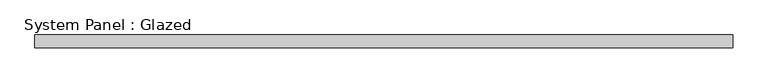
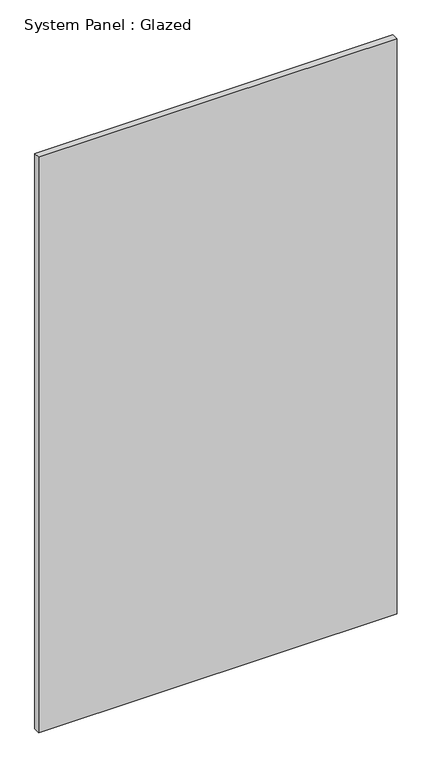
"""IFC4 building model written with IfcOpenShell, lengths in millimetres: plate geometry, System Panel : Glazed."""

import ifcopenshell
import ifcopenshell.guid

model = None  # the IFC model being written
_history = None  # IfcOwnerHistory: only IFC2X3 demands one
_inside = {}  # id of a spatial element -> (the spatial element, [elements in it])
_under = {}  # id of a project, library or spatial element -> (it, [spatial elements below it])
_declared = {}  # id of a project -> (the project, [libraries it declares])
_typed = {}  # id of a type object -> (the type object, [elements of that type])
_made_of = {}  # id of a material, layer set ... -> (it, [elements and type objects made of it])


def new_model(schema):
    """Start an empty IFC model of exactly this schema.

    Asked for "IFC4X3", IfcOpenShell would pick the latest addendum, in which some entities
    have other attributes; the version numbers below select the first issue.
    IFC2X3 requires an IfcOwnerHistory on every rooted entity: one is made here for all.
    """
    global model, _history
    if schema == "IFC4X3":
        model = ifcopenshell.file(schema_version=(4, 3, 0, 0))
    else:
        model = ifcopenshell.file(schema=schema)
    _inside.clear()
    _under.clear()
    _declared.clear()
    _typed.clear()
    _made_of.clear()
    _history = None
    if model.schema == "IFC2X3":
        org = make("IfcOrganization", Name="unknown")
        user = make(
            "IfcPersonAndOrganization",
            ThePerson=make("IfcPerson", FamilyName="unknown"),
            TheOrganization=org,
        )
        app = make(
            "IfcApplication",
            ApplicationDeveloper=org,
            Version="unknown",
            ApplicationFullName="unknown",
            ApplicationIdentifier="unknown",
        )
        _history = make(
            "IfcOwnerHistory",
            OwningUser=user,
            OwningApplication=app,
            ChangeAction="ADDED",
            CreationDate=0,
        )
    return model


def make(cls, **values):
    """One entity of the class cls with the attributes given. An attribute that is None is left unset."""
    return model.create_entity(
        cls, **{name: value for name, value in values.items() if value is not None}
    )


def rooted(cls, **values):
    """An entity with a GlobalId (a new one), such as an element, a storey or a relation."""
    return make(cls, GlobalId=ifcopenshell.guid.new(), OwnerHistory=_history, **values)


def si_unit(unit_type, name, prefix=None):
    """IfcSIUnit, for example si_unit("LENGTHUNIT", "METRE", prefix="MILLI")."""
    return make("IfcSIUnit", UnitType=unit_type, Prefix=prefix, Name=name)


def assignment(units):
    """IfcUnitAssignment: the units of a project."""
    return None if units is None else make("IfcUnitAssignment", Units=units)


def point(xyz):
    """IfcCartesianPoint."""
    return None if xyz is None else make("IfcCartesianPoint", Coordinates=xyz)


def direction(xyz):
    """IfcDirection."""
    return None if xyz is None else make("IfcDirection", DirectionRatios=xyz)


def frame(location, z_axis=None, x_axis=None):
    """IfcAxis2Placement3D, a coordinate frame: its origin and axes. An axis left out is left unset."""
    return make(
        "IfcAxis2Placement3D",
        Location=point(location),
        Axis=direction(z_axis),
        RefDirection=direction(x_axis),
    )


def origin():
    """The frame at (0, 0, 0) with its axes left unset."""
    return frame((0.0, 0.0, 0.0))


def origin_with_axes():
    """The frame at (0, 0, 0) with the z axis (0, 0, 1) and the x axis (1, 0, 0) written out."""
    return frame((0.0, 0.0, 0.0), z_axis=(0.0, 0.0, 1.0), x_axis=(1.0, 0.0, 0.0))


def place(relative_to, where):
    """IfcLocalPlacement: puts the frame where relative to a parent placement (None: the world)."""
    return make(
        "IfcLocalPlacement", PlacementRelTo=relative_to, RelativePlacement=where
    )


def context(
    kind, dimensions, precision=None, world=None, true_north=None, identifier=None
):
    """IfcGeometricRepresentationContext, for example the 3D "Model" context."""
    return make(
        "IfcGeometricRepresentationContext",
        ContextIdentifier=identifier,
        ContextType=kind,
        CoordinateSpaceDimension=dimensions,
        Precision=precision,
        WorldCoordinateSystem=world,
        TrueNorth=true_north,
    )


def project(units=None, contexts=None):
    """IfcProject with its units and contexts."""
    return rooted(
        "IfcProject",
        Name="project",
        RepresentationContexts=contexts,
        UnitsInContext=assignment(units),
    )


def spatial(cls, under=None, at=None, **own):
    """A site, building, storey or space (cls), placed at a placement, below another one or the project."""
    s = rooted(cls, ObjectPlacement=at, **own)
    if under is not None:
        _under.setdefault(under.id(), (under, []))[1].append(s)
    return s


def polyline(points):
    """IfcPolyline through the points."""
    return make("IfcPolyline", Points=[point(p) for p in points])


def outline(outer, holes=None, kind="AREA"):
    """IfcArbitraryClosedProfileDef: a profile drawn as a closed curve; with holes, ...WithVoids."""
    if holes is None:
        return make("IfcArbitraryClosedProfileDef", ProfileType=kind, OuterCurve=outer)
    return make(
        "IfcArbitraryProfileDefWithVoids",
        ProfileType=kind,
        OuterCurve=outer,
        InnerCurves=holes,
    )


def extrude(swept, where, along, depth):
    """IfcExtrudedAreaSolid: the profile swept, set in the frame where, extruded along a direction by depth."""
    return make(
        "IfcExtrudedAreaSolid",
        SweptArea=swept,
        Position=where,
        ExtrudedDirection=direction(along),
        Depth=depth,
    )


def shape(context_of_items, identifier, shape_type, items):
    """IfcShapeRepresentation: the items that make up one representation, for example the "Body"."""
    return make(
        "IfcShapeRepresentation",
        ContextOfItems=context_of_items,
        RepresentationIdentifier=identifier,
        RepresentationType=shape_type,
        Items=items,
    )


def source(mapping_origin, context_of_items, identifier, shape_type, items):
    """IfcRepresentationMap: a shape defined once, which mapped items show again and again."""
    return make(
        "IfcRepresentationMap",
        MappingOrigin=mapping_origin,
        MappedRepresentation=shape(context_of_items, identifier, shape_type, items),
    )


def transform(
    local_origin,
    x_axis=None,
    y_axis=None,
    z_axis=None,
    scale=None,
    scale2=None,
    scale3=None,
    uniform=True,
):
    """IfcCartesianTransformationOperator3D, or its non-uniform kind. x_axis, y_axis, z_axis: its Axis1, 2, 3."""
    if uniform:
        return make(
            "IfcCartesianTransformationOperator3D",
            Axis1=direction(x_axis),
            Axis2=direction(y_axis),
            LocalOrigin=point(local_origin),
            Scale=scale,
            Axis3=direction(z_axis),
        )
    return make(
        "IfcCartesianTransformationOperator3DnonUniform",
        Axis1=direction(x_axis),
        Axis2=direction(y_axis),
        LocalOrigin=point(local_origin),
        Scale=scale,
        Axis3=direction(z_axis),
        Scale2=scale2,
        Scale3=scale3,
    )


def mapped(mapping_source, mapping_target):
    """IfcMappedItem: shows the shape of a source again, moved by a transform."""
    return make(
        "IfcMappedItem", MappingSource=mapping_source, MappingTarget=mapping_target
    )


def made_of(thing, what):
    """Note that an element or type object is made of a material, layer set ...; save() writes the relation."""
    if what is not None:
        _made_of.setdefault(what.id(), (what, []))[1].append(thing)
    return thing


def element(
    cls,
    number,
    at=None,
    inside=None,
    cuts=None,
    type_object=None,
    material=None,
    context=None,
    identifier="Body",
    shape_type=None,
    held_by="IfcProductDefinitionShape",
    body=None,
    shapes=None,
    **own,
):
    """One element of the class cls, such as IfcWall. Its Tag is "e" and its number.

    at: its placement. inside: the storey or other place that contains it. cuts: it is an
    opening in that element (IfcRelVoidsElement). A single representation is given by context,
    identifier, shape_type and body (its items); several are given by shapes. held_by: the class
    of the entity that holds the representations. save() writes the other relations.
    """
    e = rooted(cls, Tag="e%d" % number, ObjectPlacement=at, **own)
    if body is not None:
        shapes = [shape(context, identifier, shape_type, body)]
    if shapes is not None:
        e.Representation = make(held_by, Representations=shapes)
    if inside is not None:
        _inside.setdefault(inside.id(), (inside, []))[1].append(e)
    if cuts is not None:
        rooted(
            "IfcRelVoidsElement", RelatingBuildingElement=cuts, RelatedOpeningElement=e
        )
    if type_object is not None:
        _typed.setdefault(type_object.id(), (type_object, []))[1].append(e)
    return made_of(e, material)


def aggregate(whole, parts):
    """IfcRelAggregates: a whole, such as a stair, and the parts it consists of."""
    return rooted("IfcRelAggregates", RelatingObject=whole, RelatedObjects=parts)


def save(model, path):
    """Write the relations noted so far, then the file.

    IfcRelAggregates (storeys below a building ...), IfcRelContainedInSpatialStructure (elements
    in a storey), IfcRelDefinesByType, IfcRelAssociatesMaterial and IfcRelDeclares: one each for
    every whole, place, type object, material and project.
    """
    for whole, parts in _under.values():
        aggregate(whole, parts)
    for where, things in _inside.values():
        rooted(
            "IfcRelContainedInSpatialStructure",
            RelatedElements=things,
            RelatingStructure=where,
        )
    for kind, things in _typed.values():
        rooted("IfcRelDefinesByType", RelatedObjects=things, RelatingType=kind)
    for what, things in _made_of.values():
        rooted("IfcRelAssociatesMaterial", RelatedObjects=things, RelatingMaterial=what)
    for by, libraries in _declared.values():
        rooted("IfcRelDeclares", RelatingContext=by, RelatedDefinitions=libraries)
    model.write(path)


def system_panel_glazed_d8ebd965(model_context):
    return source(origin(), model_context, "Body", "SweptSolid", [
        extrude(outline(polyline([(684.7278333, 24.5), (-684.7278333, 24.5), (-684.7278333, 49.5), (684.7278333, 49.5), (684.7278333, 24.5)])), origin_with_axes(), (0.0, 0.0, 1.0), 2325.0),
    ])


if __name__ == "__main__":
    model = new_model("IFC4")
    model_context = context("Model", 3, world=origin())
    ifc_project = project(units=[si_unit("LENGTHUNIT", "METRE", prefix="MILLI")], contexts=[model_context])
    site = spatial("IfcSite", under=ifc_project)
    building = spatial("IfcBuilding", under=site)
    placement = place(None, origin())
    system_panel_glazed_shape = system_panel_glazed_d8ebd965(model_context)
    element("IfcPlate", 1, ObjectType="System Panel : Glazed", at=placement, inside=building, context=model_context, shape_type="MappedRepresentation", body=[
        mapped(system_panel_glazed_shape, transform((0.0, 0.0, 0.0), x_axis=(1.0, 0.0, 0.0), y_axis=(0.0, 1.0, 0.0), z_axis=(0.0, 0.0, 1.0))),
    ])
    save(model, "model.ifc")
